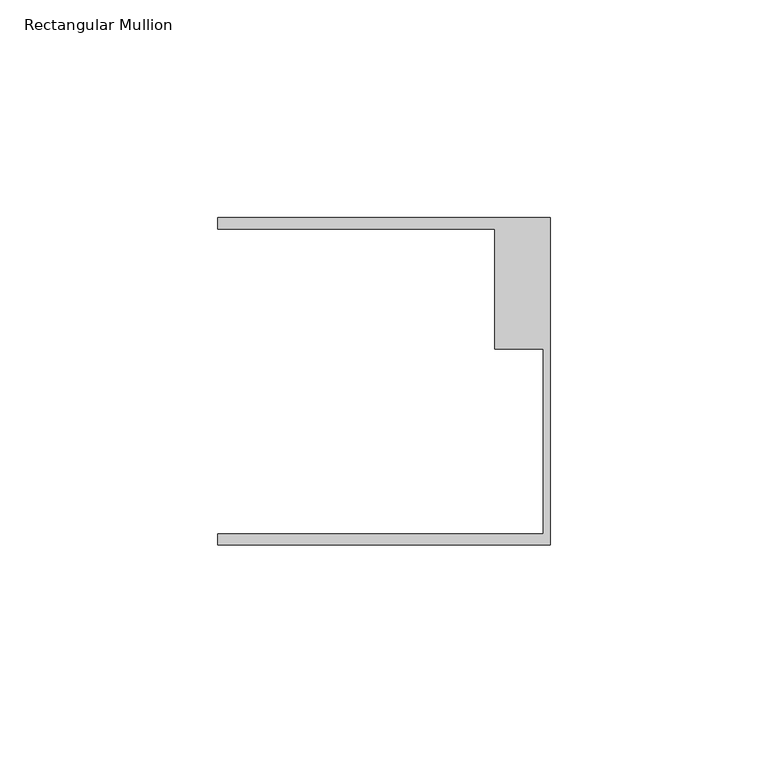
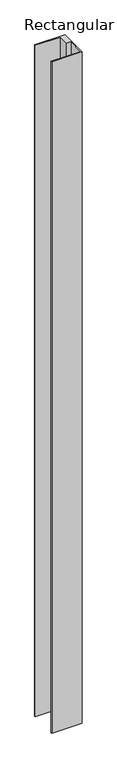
"""IFC4 building model written with IfcOpenShell, lengths in millimetres: member geometry, Rectangular Mullion."""

from ifc_helpers import new_model, si_unit, frame, origin, place, context, project, spatial, polyline, outline, extrude, source, transform, mapped, element, save


def rectangular_mullion_4d842d99(model_context):
    return source(origin(), model_context, "Body", "SweptSolid", [
        extrude(outline(polyline([(0.0, -37.5776386), (-76.2, -37.5776386), (-76.2, -35.0376386), (-1.5875, -35.0376386), (-1.5875, 7.3398614), (-12.7, 7.3398614), (-12.7, 34.9623614), (-76.2, 34.9623614), (-76.2, 37.5023614), (0.0, 37.5023614), (0.0, -37.5776386)])), frame((0.0, 0.0, -1795.25), z_axis=(0.0, 0.0, 1.0), x_axis=(1.0, 0.0, 0.0)), (0.0, 0.0, 1.0), 1795.25),
    ])


if __name__ == "__main__":
    model = new_model("IFC4")
    model_context = context("Model", 3, world=origin())
    ifc_project = project(units=[si_unit("LENGTHUNIT", "METRE", prefix="MILLI")], contexts=[model_context])
    site = spatial("IfcSite", under=ifc_project)
    building = spatial("IfcBuilding", under=site)
    placement = place(None, origin())
    rectangular_mullion_shape = rectangular_mullion_4d842d99(model_context)
    element("IfcMember", 1, ObjectType="Rectangular Mullion", at=placement, inside=building, context=model_context, shape_type="MappedRepresentation", body=[
        mapped(rectangular_mullion_shape, transform((0.0, 0.0, 0.0), x_axis=(1.0, 0.0, 0.0), y_axis=(0.0, 1.0, 0.0), z_axis=(0.0, 0.0, 1.0))),
    ])
    save(model, "model.ifc")
